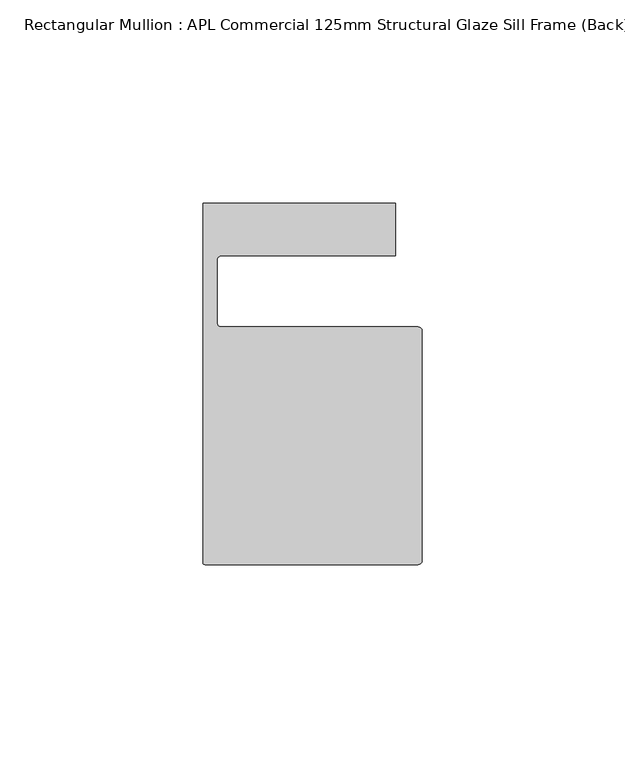
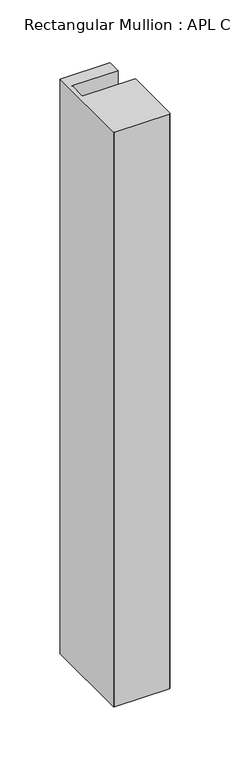
"""IFC4 building model written with IfcOpenShell, lengths in millimetres: member geometry, Rectangular Mullion : APL Commercial 125mm Structural Glaze Sill Frame (Back)."""

import ifcopenshell
import ifcopenshell.guid

model = None  # the IFC model being written
_history = None  # IfcOwnerHistory: only IFC2X3 demands one
_inside = {}  # id of a spatial element -> (the spatial element, [elements in it])
_under = {}  # id of a project, library or spatial element -> (it, [spatial elements below it])
_declared = {}  # id of a project -> (the project, [libraries it declares])
_typed = {}  # id of a type object -> (the type object, [elements of that type])
_made_of = {}  # id of a material, layer set ... -> (it, [elements and type objects made of it])


def new_model(schema):
    """Start an empty IFC model of exactly this schema.

    Asked for "IFC4X3", IfcOpenShell would pick the latest addendum, in which some entities
    have other attributes; the version numbers below select the first issue.
    IFC2X3 requires an IfcOwnerHistory on every rooted entity: one is made here for all.
    """
    global model, _history
    if schema == "IFC4X3":
        model = ifcopenshell.file(schema_version=(4, 3, 0, 0))
    else:
        model = ifcopenshell.file(schema=schema)
    _inside.clear()
    _under.clear()
    _declared.clear()
    _typed.clear()
    _made_of.clear()
    _history = None
    if model.schema == "IFC2X3":
        org = make("IfcOrganization", Name="unknown")
        user = make(
            "IfcPersonAndOrganization",
            ThePerson=make("IfcPerson", FamilyName="unknown"),
            TheOrganization=org,
        )
        app = make(
            "IfcApplication",
            ApplicationDeveloper=org,
            Version="unknown",
            ApplicationFullName="unknown",
            ApplicationIdentifier="unknown",
        )
        _history = make(
            "IfcOwnerHistory",
            OwningUser=user,
            OwningApplication=app,
            ChangeAction="ADDED",
            CreationDate=0,
        )
    return model


def make(cls, **values):
    """One entity of the class cls with the attributes given. An attribute that is None is left unset."""
    return model.create_entity(
        cls, **{name: value for name, value in values.items() if value is not None}
    )


def rooted(cls, **values):
    """An entity with a GlobalId (a new one), such as an element, a storey or a relation."""
    return make(cls, GlobalId=ifcopenshell.guid.new(), OwnerHistory=_history, **values)


def si_unit(unit_type, name, prefix=None):
    """IfcSIUnit, for example si_unit("LENGTHUNIT", "METRE", prefix="MILLI")."""
    return make("IfcSIUnit", UnitType=unit_type, Prefix=prefix, Name=name)


def assignment(units):
    """IfcUnitAssignment: the units of a project."""
    return None if units is None else make("IfcUnitAssignment", Units=units)


def point(xyz):
    """IfcCartesianPoint."""
    return None if xyz is None else make("IfcCartesianPoint", Coordinates=xyz)


def direction(xyz):
    """IfcDirection."""
    return None if xyz is None else make("IfcDirection", DirectionRatios=xyz)


def frame(location, z_axis=None, x_axis=None):
    """IfcAxis2Placement3D, a coordinate frame: its origin and axes. An axis left out is left unset."""
    return make(
        "IfcAxis2Placement3D",
        Location=point(location),
        Axis=direction(z_axis),
        RefDirection=direction(x_axis),
    )


def origin():
    """The frame at (0, 0, 0) with its axes left unset."""
    return frame((0.0, 0.0, 0.0))


def place(relative_to, where):
    """IfcLocalPlacement: puts the frame where relative to a parent placement (None: the world)."""
    return make(
        "IfcLocalPlacement", PlacementRelTo=relative_to, RelativePlacement=where
    )


def context(
    kind, dimensions, precision=None, world=None, true_north=None, identifier=None
):
    """IfcGeometricRepresentationContext, for example the 3D "Model" context."""
    return make(
        "IfcGeometricRepresentationContext",
        ContextIdentifier=identifier,
        ContextType=kind,
        CoordinateSpaceDimension=dimensions,
        Precision=precision,
        WorldCoordinateSystem=world,
        TrueNorth=true_north,
    )


def project(units=None, contexts=None):
    """IfcProject with its units and contexts."""
    return rooted(
        "IfcProject",
        Name="project",
        RepresentationContexts=contexts,
        UnitsInContext=assignment(units),
    )


def spatial(cls, under=None, at=None, **own):
    """A site, building, storey or space (cls), placed at a placement, below another one or the project."""
    s = rooted(cls, ObjectPlacement=at, **own)
    if under is not None:
        _under.setdefault(under.id(), (under, []))[1].append(s)
    return s


def polyline(points):
    """IfcPolyline through the points."""
    return make("IfcPolyline", Points=[point(p) for p in points])


def circle_curve(where, radius):
    """IfcCircle in the frame where."""
    return make("IfcCircle", Position=where, Radius=radius)


def shape(context_of_items, identifier, shape_type, items):
    """IfcShapeRepresentation: the items that make up one representation, for example the "Body"."""
    return make(
        "IfcShapeRepresentation",
        ContextOfItems=context_of_items,
        RepresentationIdentifier=identifier,
        RepresentationType=shape_type,
        Items=items,
    )


def source(mapping_origin, context_of_items, identifier, shape_type, items):
    """IfcRepresentationMap: a shape defined once, which mapped items show again and again."""
    return make(
        "IfcRepresentationMap",
        MappingOrigin=mapping_origin,
        MappedRepresentation=shape(context_of_items, identifier, shape_type, items),
    )


def transform(
    local_origin,
    x_axis=None,
    y_axis=None,
    z_axis=None,
    scale=None,
    scale2=None,
    scale3=None,
    uniform=True,
):
    """IfcCartesianTransformationOperator3D, or its non-uniform kind. x_axis, y_axis, z_axis: its Axis1, 2, 3."""
    if uniform:
        return make(
            "IfcCartesianTransformationOperator3D",
            Axis1=direction(x_axis),
            Axis2=direction(y_axis),
            LocalOrigin=point(local_origin),
            Scale=scale,
            Axis3=direction(z_axis),
        )
    return make(
        "IfcCartesianTransformationOperator3DnonUniform",
        Axis1=direction(x_axis),
        Axis2=direction(y_axis),
        LocalOrigin=point(local_origin),
        Scale=scale,
        Axis3=direction(z_axis),
        Scale2=scale2,
        Scale3=scale3,
    )


def mapped(mapping_source, mapping_target):
    """IfcMappedItem: shows the shape of a source again, moved by a transform."""
    return make(
        "IfcMappedItem", MappingSource=mapping_source, MappingTarget=mapping_target
    )


def made_of(thing, what):
    """Note that an element or type object is made of a material, layer set ...; save() writes the relation."""
    if what is not None:
        _made_of.setdefault(what.id(), (what, []))[1].append(thing)
    return thing


def element(
    cls,
    number,
    at=None,
    inside=None,
    cuts=None,
    type_object=None,
    material=None,
    context=None,
    identifier="Body",
    shape_type=None,
    held_by="IfcProductDefinitionShape",
    body=None,
    shapes=None,
    **own,
):
    """One element of the class cls, such as IfcWall. Its Tag is "e" and its number.

    at: its placement. inside: the storey or other place that contains it. cuts: it is an
    opening in that element (IfcRelVoidsElement). A single representation is given by context,
    identifier, shape_type and body (its items); several are given by shapes. held_by: the class
    of the entity that holds the representations. save() writes the other relations.
    """
    e = rooted(cls, Tag="e%d" % number, ObjectPlacement=at, **own)
    if body is not None:
        shapes = [shape(context, identifier, shape_type, body)]
    if shapes is not None:
        e.Representation = make(held_by, Representations=shapes)
    if inside is not None:
        _inside.setdefault(inside.id(), (inside, []))[1].append(e)
    if cuts is not None:
        rooted(
            "IfcRelVoidsElement", RelatingBuildingElement=cuts, RelatedOpeningElement=e
        )
    if type_object is not None:
        _typed.setdefault(type_object.id(), (type_object, []))[1].append(e)
    return made_of(e, material)


def aggregate(whole, parts):
    """IfcRelAggregates: a whole, such as a stair, and the parts it consists of."""
    return rooted("IfcRelAggregates", RelatingObject=whole, RelatedObjects=parts)


def save(model, path):
    """Write the relations noted so far, then the file.

    IfcRelAggregates (storeys below a building ...), IfcRelContainedInSpatialStructure (elements
    in a storey), IfcRelDefinesByType, IfcRelAssociatesMaterial and IfcRelDeclares: one each for
    every whole, place, type object, material and project.
    """
    for whole, parts in _under.values():
        aggregate(whole, parts)
    for where, things in _inside.values():
        rooted(
            "IfcRelContainedInSpatialStructure",
            RelatedElements=things,
            RelatingStructure=where,
        )
    for kind, things in _typed.values():
        rooted("IfcRelDefinesByType", RelatedObjects=things, RelatingType=kind)
    for what, things in _made_of.values():
        rooted("IfcRelAssociatesMaterial", RelatedObjects=things, RelatingMaterial=what)
    for by, libraries in _declared.values():
        rooted("IfcRelDeclares", RelatingContext=by, RelatedDefinitions=libraries)
    model.write(path)


def plane_surface(at):
    """IfcPlane: the flat surface through the origin of the frame at, square to its z axis."""
    return make("IfcPlane", Position=at)


def cylinder_surface(at, radius):
    """IfcCylindricalSurface: all points at the distance radius from the z axis of the frame at."""
    return make("IfcCylindricalSurface", Position=at, Radius=radius)


def revolved_surface(curve, axis_point, axis_direction):
    """IfcSurfaceOfRevolution: the curve turned about the line through axis_point along axis_direction."""
    return make(
        "IfcSurfaceOfRevolution",
        SweptCurve=make("IfcArbitraryOpenProfileDef", ProfileType="CURVE", Curve=curve),
        AxisPosition=make("IfcAxis1Placement", Location=point(axis_point), Axis=direction(axis_direction)),
    )


def advanced_brep(points, edges, surfaces, faces):
    """IfcAdvancedBrep: a solid bounded by faces that lie on surfaces and meet in shared edges.

    An edge is (start, end): straight between two places in points (the first is 0);
    or (start, end, curve); or (start, end, curve, False) where it runs against its curve.
    A face is (place in surfaces, loops), or (place, loops, False) where it looks against
    its surface's normal. A loop lists edges by number (the first is 1), with a minus sign
    where the edge is run from its end to its start. The first loop is the outer one.
    """
    corners = [point(p) for p in points]
    vertices = [make("IfcVertexPoint", VertexGeometry=c) for c in corners]
    made = []
    for start, end, *more in edges:
        made.append(
            make(
                "IfcEdgeCurve",
                EdgeStart=vertices[start],
                EdgeEnd=vertices[end],
                EdgeGeometry=more[0] if more else make("IfcPolyline", Points=[corners[start], corners[end]]),
                SameSense=more[1] if len(more) > 1 else True,
            )
        )
    hull = []
    for where, loops, *sense in faces:
        bounds = []
        for j, loop in enumerate(loops):
            ring = [make("IfcOrientedEdge", EdgeElement=made[abs(k) - 1], Orientation=k > 0) for k in loop]
            bounds.append(
                make(
                    "IfcFaceOuterBound" if j == 0 else "IfcFaceBound",
                    Bound=make("IfcEdgeLoop", EdgeList=ring),
                    Orientation=True,
                )
            )
        hull.append(make("IfcAdvancedFace", Bounds=bounds, FaceSurface=surfaces[where], SameSense=sense[0] if sense else True))
    return make("IfcAdvancedBrep", Outer=make("IfcClosedShell", CfsFaces=hull))


def rectangular_mullion_apl_commercial_125mm_structural_glaze_7e673f92(model_context):
    return source(origin(), model_context, "Body", "AdvancedBrep", [
        advanced_brep(
        [(-53.5000029, -104.0, 0.0), (-1.0000025, -104.0, 0.0), (-2.5e-06, -103.0, 0.0), (0.0, -46.5010268, 0.0), (-1.0, -45.5010268, 0.0), (-49.5000004, -45.5010268, 0.0), (-50.5000004, -44.5010268, 0.0), (-50.5000029, -29.0004332, 0.0), (-49.5000029, -28.0004332, 0.0), (-6.5000029, -28.0004332, 0.0), (-6.5000029, -15.0004332, 0.0), (-54.0000029, -15.0004332, 0.0), (-54.0000029, -103.5, 0.0), (-53.5000029, -104.0, -580.3748088), (-54.0000029, -103.5, -580.3748088), (-54.0000029, -15.0004332, -580.3748088), (-6.5000029, -15.0004332, -580.3748088), (-6.5000029, -28.0004332, -580.3748088), (-49.5000029, -28.0004332, -580.3748088), (-50.5000029, -29.0004332, -580.3748088), (-50.5000029, -44.5010268, -580.3748088), (-49.5000004, -45.5010268, -580.3748088), (-1.0, -45.5010268, -580.3748088), (0.0, -46.5010268, -580.3748088), (0.0, -103.0, -580.3748088), (-1.0000025, -104.0, -580.3748088)],
        [
            (0, 1),
            (1, 2, circle_curve(frame((-1.0000025, -103.0, 0.0), z_axis=(0.0, 0.0, 1.0), x_axis=(0.9999999999996143, -8.78371761103865e-07, 0.0)), 1.0)),
            (2, 3),
            (3, 4, circle_curve(frame((-1.0, -46.5010268, 0.0), z_axis=(0.0, 0.0, 1.0), x_axis=(0.0, 1.0, 0.0)), 1.0)),
            (4, 5),
            (5, 6, circle_curve(frame((-49.5000004, -44.5010268, 0.0), z_axis=(0.0, 0.0, -1.0), x_axis=(-0.9999999999998819, -4.863123717036027e-07, 0.0)), 1.0)),
            (6, 7),
            (7, 8, circle_curve(frame((-49.5000029, -29.0004332, 0.0), z_axis=(0.0, 0.0, -1.0), x_axis=(0.0, 1.0, 0.0)), 1.0)),
            (8, 9),
            (9, 10),
            (10, 11),
            (11, 12),
            (12, 0, circle_curve(frame((-53.5000029, -103.5, 0.0), z_axis=(0.0, 0.0, 1.0), x_axis=(0.0, -1.0, 0.0)), 0.5)),
            (13, 14, circle_curve(frame((-53.5000029, -103.5, -580.3748088), z_axis=(0.0, 0.0, -1.0), x_axis=(0.0, -1.0, 0.0)), 0.5)),
            (14, 15),
            (15, 16),
            (16, 17),
            (17, 18),
            (18, 19, circle_curve(frame((-49.5000029, -29.0004332, -580.3748088), z_axis=(0.0, 0.0, 1.0), x_axis=(0.0, 1.0, 0.0)), 1.0)),
            (19, 20),
            (20, 21, circle_curve(frame((-49.5000004, -44.5010268, -580.3748088), z_axis=(0.0, 0.0, 1.0), x_axis=(-0.9999999999998819, -4.863123717036027e-07, 0.0)), 1.0)),
            (21, 22),
            (22, 23, circle_curve(frame((-1.0, -46.5010268, -580.3748088), z_axis=(0.0, 0.0, -1.0), x_axis=(0.0, 1.0, 0.0)), 1.0)),
            (23, 24),
            (24, 25, circle_curve(frame((-1.0000025, -103.0, -580.3748088), z_axis=(0.0, 0.0, -1.0), x_axis=(0.9999999999996143, -8.78371761103865e-07, 0.0)), 1.0)),
            (25, 13),
            (0, 13),
            (25, 1),
            (24, 2),
            (23, 3),
            (22, 4),
            (21, 5),
            (20, 6),
            (19, 7),
            (18, 8),
            (17, 9),
            (16, 10),
            (15, 11),
            (14, 12),
        ],
        [
            plane_surface(frame((0.0, -116.986179, 0.0), z_axis=(0.0, 0.0, 1.0), x_axis=(-1.0, 0.0, 0.0))),
            plane_surface(frame((0.0, -116.986179, -580.3748088), z_axis=(0.0, 0.0, -1.0), x_axis=(-1.0, 0.0, 0.0))),
            plane_surface(frame((-53.5000029, -104.0, 0.0), z_axis=(0.0, -1.0, 0.0), x_axis=(0.0, 0.0, -1.0))),
            cylinder_surface(frame((-1.0000025, -103.0, 0.0), z_axis=(0.0, 0.0, 1.0000000000000002), x_axis=(0.9999999999996143, -8.78371761103865e-07, 0.0)), 1.0),
            plane_surface(frame((0.0, -103.0, 0.0), z_axis=(1.0, 0.0, 0.0), x_axis=(0.0, 0.0, -1.0))),
            cylinder_surface(frame((-1.0, -46.5010268, 0.0), z_axis=(0.0, 0.0, 1.0), x_axis=(0.0, 1.0, 0.0)), 1.0),
            plane_surface(frame((-1.0, -45.5010268, 0.0), z_axis=(0.0, 1.0, 0.0), x_axis=(0.0, 0.0, -1.0))),
            revolved_surface(polyline([(-50.50000039999988, -44.50102728631237, -580.3748088000002), (-50.50000039999988, -44.50102728631237, 0.0)]), (-49.5000004, -44.5010268, 0.0), (0.0, 0.0, -1.0000000000000002)),
            plane_surface(frame((-50.5000029, -44.5010268, 0.0), z_axis=(1.0, 0.0, 0.0), x_axis=(0.0, 0.0, -1.0))),
            revolved_surface(polyline([(-49.5000029, -28.0004332, -580.3748088), (-49.5000029, -28.0004332, 0.0)]), (-49.5000029, -29.0004332, 0.0), (0.0, 0.0, -1.0)),
            plane_surface(frame((-49.5000029, -28.0004332, 0.0), z_axis=(0.0, -1.0, 0.0), x_axis=(0.0, 0.0, -1.0))),
            plane_surface(frame((-6.5000029, -28.0004332, 0.0), z_axis=(1.0, 0.0, 0.0), x_axis=(0.0, 0.0, -1.0))),
            plane_surface(frame((-6.5000029, -15.0004332, 0.0), z_axis=(0.0, 1.0, 0.0), x_axis=(0.0, 0.0, -1.0))),
            plane_surface(frame((-54.0000029, -15.0004332, 0.0), z_axis=(-1.0, 0.0, 0.0), x_axis=(0.0, 0.0, -1.0))),
            cylinder_surface(frame((-53.5000029, -103.5, 0.0), z_axis=(0.0, 0.0, 1.0), x_axis=(0.0, -1.0, 0.0)), 0.5),
        ],
        [
            (0, [[1, 2, 3, 4, 5, 6, 7, 8, 9, 10, 11, 12, 13]]),
            (1, [[14, 15, 16, 17, 18, 19, 20, 21, 22, 23, 24, 25, 26]]),
            (2, [[-1, 27, -26, 28]]),
            (3, [[-2, -28, -25, 29]]),
            (4, [[-3, -29, -24, 30]]),
            (5, [[-4, -30, -23, 31]]),
            (6, [[-5, -31, -22, 32]]),
            (7, [[-6, -32, -21, 33]]),
            (8, [[-7, -33, -20, 34]]),
            (9, [[-8, -34, -19, 35]]),
            (10, [[-9, -35, -18, 36]]),
            (11, [[-10, -36, -17, 37]]),
            (12, [[-11, -37, -16, 38]]),
            (13, [[-12, -38, -15, 39]]),
            (14, [[-13, -39, -14, -27]]),
        ],
    ),
    ])


if __name__ == "__main__":
    model = new_model("IFC4")
    model_context = context("Model", 3, world=origin())
    ifc_project = project(units=[si_unit("LENGTHUNIT", "METRE", prefix="MILLI")], contexts=[model_context])
    site = spatial("IfcSite", under=ifc_project)
    building = spatial("IfcBuilding", under=site)
    placement = place(None, origin())
    rectangular_mullion_apl_commercial_125mm_structural_glaze_shape = rectangular_mullion_apl_commercial_125mm_structural_glaze_7e673f92(model_context)
    element("IfcMember", 1, ObjectType="Rectangular Mullion : APL Commercial 125mm Structural Glaze Sill Frame (Back)", at=placement, inside=building, context=model_context, shape_type="MappedRepresentation", body=[
        mapped(rectangular_mullion_apl_commercial_125mm_structural_glaze_shape, transform((0.0, 0.0, 0.0), x_axis=(1.0, 0.0, 0.0), y_axis=(0.0, 1.0, 0.0), z_axis=(0.0, 0.0, 1.0))),
    ])
    save(model, "model.ifc")
